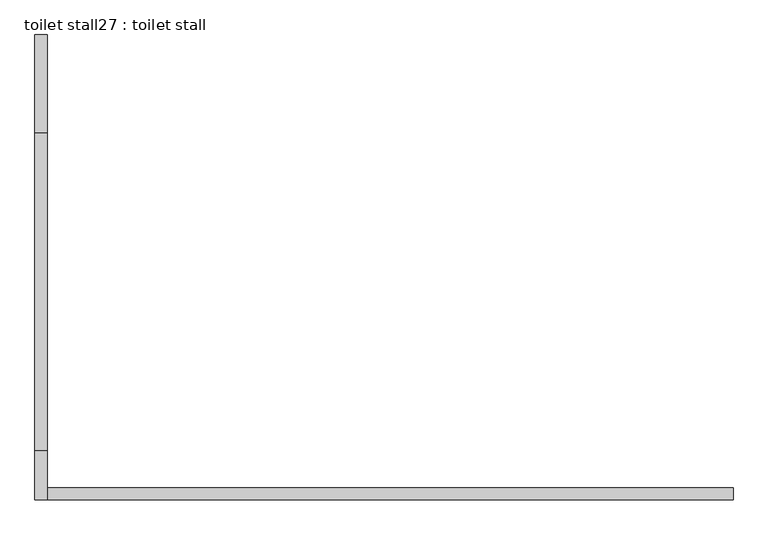
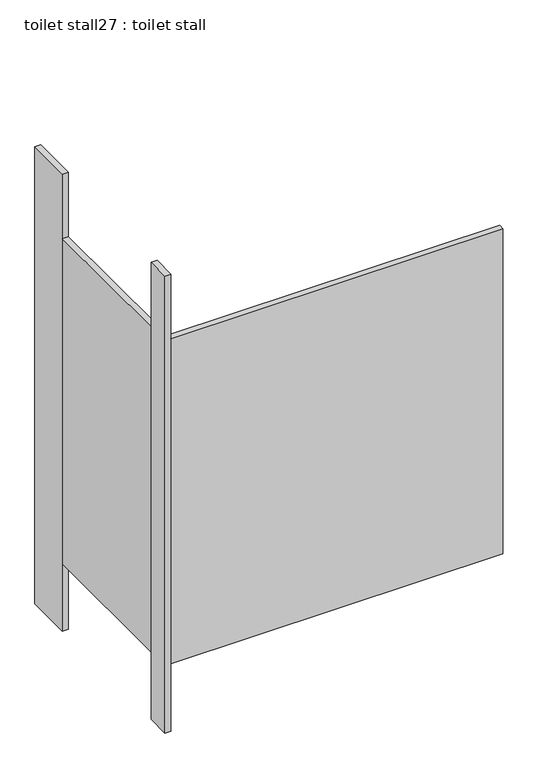
"""IFC4 building model written with IfcOpenShell, lengths in millimetres: proxy geometry, toilet stall27 : toilet stall."""

from ifc_helpers import new_model, si_unit, frame, origin, origin_with_axes, place, context, project, spatial, polyline, outline, extrude, source, transform, mapped, element, save


def toilet_stall27_toilet_stall_a2a06ca9(model_context):
    return source(origin(), model_context, "Body", "SweptSolid", [
        extrude(outline(polyline([(454658.2004676, -349560.3705223), (454632.8004676, -349560.3705223), (454632.8004676, -349357.1705223), (454658.2004676, -349357.1705223), (454658.2004676, -349560.3705223)])), origin_with_axes(), (0.0, 0.0, 1.0), 2070.1),
        extrude(outline(polyline([(454658.2004676, -350322.3705223), (454632.8004676, -350322.3705223), (454632.8004676, -350220.7705223), (454658.2004676, -350220.7705223), (454658.2004676, -350322.3705223)])), origin_with_axes(), (0.0, 0.0, 1.0), 2070.1),
        extrude(outline(polyline([(454658.2004676, -350322.3705223), (454658.2004676, -350296.9705223), (456080.6004676, -350296.9705223), (456080.6004676, -350322.3705223), (454658.2004676, -350322.3705223)])), frame((0.0, 0.0, 304.8), z_axis=(0.0, 0.0, 1.0), x_axis=(1.0, 0.0, 0.0)), (0.0, 0.0, 1.0), 1473.2),
        extrude(outline(polyline([(454658.2004676, -350220.7705223), (454632.8004676, -350220.7705223), (454632.8004676, -349560.3705223), (454658.2004676, -349560.3705223), (454658.2004676, -350220.7705223)])), frame((0.0, 0.0, 304.8), z_axis=(0.0, 0.0, 1.0), x_axis=(1.0, 0.0, 0.0)), (0.0, 0.0, 1.0), 1473.2),
    ])


if __name__ == "__main__":
    model = new_model("IFC4")
    model_context = context("Model", 3, world=origin())
    ifc_project = project(units=[si_unit("LENGTHUNIT", "METRE", prefix="MILLI")], contexts=[model_context])
    site = spatial("IfcSite", under=ifc_project)
    building = spatial("IfcBuilding", under=site)
    placement = place(None, origin())
    toilet_stall27_toilet_stall_shape = toilet_stall27_toilet_stall_a2a06ca9(model_context)
    element("IfcBuildingElementProxy", 1, Name="toilet stall27 : toilet stall", ObjectType="toilet stall27 : toilet stall", at=placement, inside=building, context=model_context, shape_type="MappedRepresentation", body=[
        mapped(toilet_stall27_toilet_stall_shape, transform((0.0, 0.0, 0.0), x_axis=(1.0, 0.0, 0.0), y_axis=(0.0, 1.0, 0.0), z_axis=(0.0, 0.0, 1.0))),
    ])
    save(model, "model.ifc")
